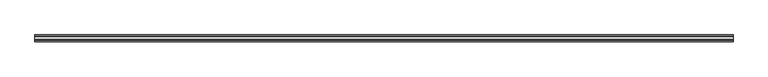
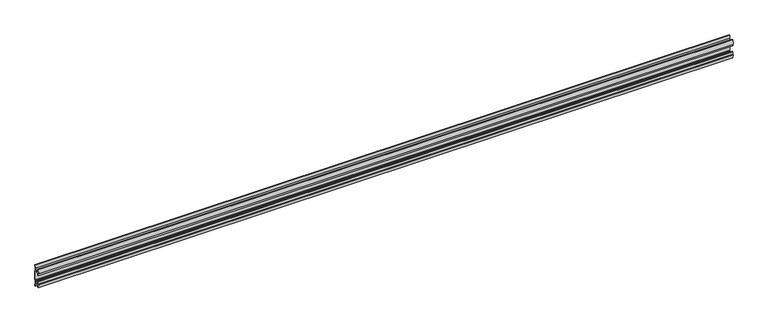
"""IFC4 building model written with IfcOpenShell, lengths in millimetres: furniture geometry."""

from ifc_helpers import new_model, si_unit, point, frame, frame_2d, origin, place, context, project, spatial, polyline, circle_curve, trimmed, segment, composite_curve, outline, extrude, source, transform, mapped, element, save


def furniture_0a05ce16(model_context):
    return source(origin(), model_context, "Body", "SweptSolid", [
        extrude(outline(composite_curve([segment(polyline([(11.858323, 1804.7960186), (10.7166987, 1798.8365826)]), True, "CONTINUOUS"), segment(trimmed(circle_curve(frame_2d((88.1501042, 1784.002988)), 78.8414093), [point((10.7166987, 1798.8365826))], [point((9.4546262, 1788.7977312))], True, "CARTESIAN"), True, "CONTINUOUS"), segment(polyline([(9.4546262, 1788.7977312), (11.4773198, 1786.7750377), (11.4773198, 1753.8478023), (9.4546262, 1751.8251088)]), True, "CONTINUOUS"), segment(trimmed(circle_curve(frame_2d((88.1501042, 1756.619852)), 78.8414093), [point((9.4546262, 1751.8251088))], [point((10.7166987, 1741.7862574))], True, "CARTESIAN"), True, "CONTINUOUS"), segment(polyline([(10.7166987, 1741.7862574), (11.858323, 1735.8268214), (11.858323, 1732.2120649), (9.3183016, 1732.2120649), (7.5671861, 1741.353129), (6.9977776, 1748.0468875), (-5.9218281, 1748.0468875), (-5.9218281, 1737.4819649), (-8.4618484, 1737.4819649), (-11.7914971, 1750.9904662), (-8.4618484, 1749.9915711), (-8.4618484, 1759.5166506), (-5.9218281, 1759.5166506), (-5.9218281, 1750.626575), (6.7782802, 1750.626575), (6.7782802, 1753.181109), (8.8976323, 1755.0234336), (8.8976323, 1785.6024548), (6.7782802, 1787.4568885), (-5.2868484, 1787.4568885), (-5.2868484, 1781.1068344), (-8.4618484, 1781.1068344), (-8.4618484, 1790.6319139), (-11.858323, 1789.3619037), (-8.4618484, 1803.14152), (-5.2868484, 1803.14152), (-5.2868484, 1789.9969099), (6.7782802, 1789.9969099), (7.5671861, 1799.2710009), (9.3183016, 1808.4120649), (11.858323, 1808.4120649), (11.858323, 1804.7960186)]), True, "CONTINUOUS")], self_intersect=False)), frame((-1193.8, 0.0, 0.0), z_axis=(1.0, 0.0, 0.0), x_axis=(0.0, 1.0, 0.0)), (0.0, 0.0, 1.0), 2387.6),
    ])


if __name__ == "__main__":
    model = new_model("IFC4")
    model_context = context("Model", 3, world=origin())
    ifc_project = project(units=[si_unit("LENGTHUNIT", "METRE", prefix="MILLI")], contexts=[model_context])
    site = spatial("IfcSite", under=ifc_project)
    building = spatial("IfcBuilding", under=site)
    placement = place(None, origin())
    furniture_shape = furniture_0a05ce16(model_context)
    element("IfcFurniture", 1, at=placement, inside=building, context=model_context, shape_type="MappedRepresentation", body=[
        mapped(furniture_shape, transform((0.0, 0.0, 0.0), x_axis=(1.0, 0.0, 0.0), y_axis=(0.0, 1.0, 0.0), z_axis=(0.0, 0.0, 1.0))),
    ])
    save(model, "model.ifc")
